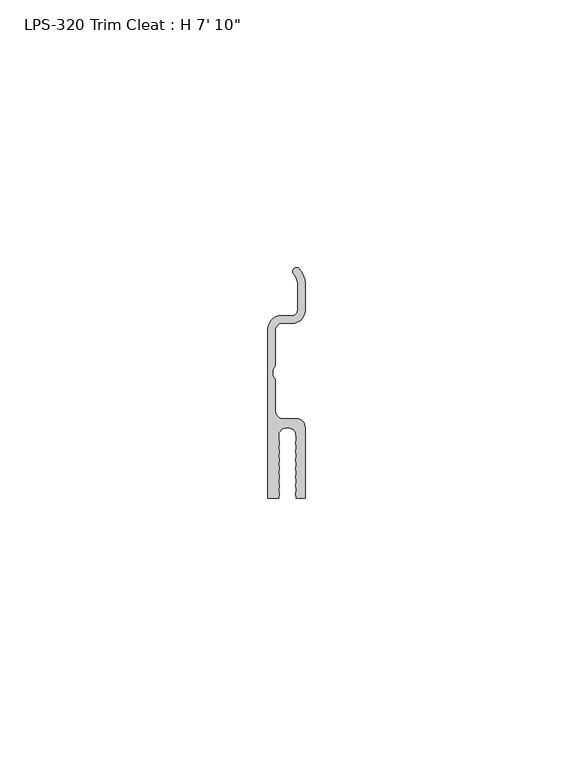
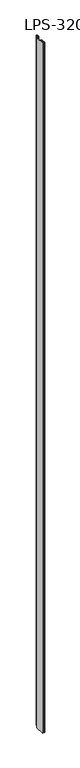
"""IFC4 building model written with IfcOpenShell, lengths in millimetres: proxy geometry."""

import ifcopenshell
import ifcopenshell.guid

model = None  # the IFC model being written
_history = None  # IfcOwnerHistory: only IFC2X3 demands one
_inside = {}  # id of a spatial element -> (the spatial element, [elements in it])
_under = {}  # id of a project, library or spatial element -> (it, [spatial elements below it])
_declared = {}  # id of a project -> (the project, [libraries it declares])
_typed = {}  # id of a type object -> (the type object, [elements of that type])
_made_of = {}  # id of a material, layer set ... -> (it, [elements and type objects made of it])


def new_model(schema):
    """Start an empty IFC model of exactly this schema.

    Asked for "IFC4X3", IfcOpenShell would pick the latest addendum, in which some entities
    have other attributes; the version numbers below select the first issue.
    IFC2X3 requires an IfcOwnerHistory on every rooted entity: one is made here for all.
    """
    global model, _history
    if schema == "IFC4X3":
        model = ifcopenshell.file(schema_version=(4, 3, 0, 0))
    else:
        model = ifcopenshell.file(schema=schema)
    _inside.clear()
    _under.clear()
    _declared.clear()
    _typed.clear()
    _made_of.clear()
    _history = None
    if model.schema == "IFC2X3":
        org = make("IfcOrganization", Name="unknown")
        user = make(
            "IfcPersonAndOrganization",
            ThePerson=make("IfcPerson", FamilyName="unknown"),
            TheOrganization=org,
        )
        app = make(
            "IfcApplication",
            ApplicationDeveloper=org,
            Version="unknown",
            ApplicationFullName="unknown",
            ApplicationIdentifier="unknown",
        )
        _history = make(
            "IfcOwnerHistory",
            OwningUser=user,
            OwningApplication=app,
            ChangeAction="ADDED",
            CreationDate=0,
        )
    return model


def make(cls, **values):
    """One entity of the class cls with the attributes given. An attribute that is None is left unset."""
    return model.create_entity(
        cls, **{name: value for name, value in values.items() if value is not None}
    )


def rooted(cls, **values):
    """An entity with a GlobalId (a new one), such as an element, a storey or a relation."""
    return make(cls, GlobalId=ifcopenshell.guid.new(), OwnerHistory=_history, **values)


def si_unit(unit_type, name, prefix=None):
    """IfcSIUnit, for example si_unit("LENGTHUNIT", "METRE", prefix="MILLI")."""
    return make("IfcSIUnit", UnitType=unit_type, Prefix=prefix, Name=name)


def assignment(units):
    """IfcUnitAssignment: the units of a project."""
    return None if units is None else make("IfcUnitAssignment", Units=units)


def point(xyz):
    """IfcCartesianPoint."""
    return None if xyz is None else make("IfcCartesianPoint", Coordinates=xyz)


def direction(xyz):
    """IfcDirection."""
    return None if xyz is None else make("IfcDirection", DirectionRatios=xyz)


def frame(location, z_axis=None, x_axis=None):
    """IfcAxis2Placement3D, a coordinate frame: its origin and axes. An axis left out is left unset."""
    return make(
        "IfcAxis2Placement3D",
        Location=point(location),
        Axis=direction(z_axis),
        RefDirection=direction(x_axis),
    )


def frame_2d(location, x_axis=None):
    """IfcAxis2Placement2D, a coordinate frame in the plane: its origin and x axis."""
    return make(
        "IfcAxis2Placement2D", Location=point(location), RefDirection=direction(x_axis)
    )


def origin():
    """The frame at (0, 0, 0) with its axes left unset."""
    return frame((0.0, 0.0, 0.0))


def origin_with_axes():
    """The frame at (0, 0, 0) with the z axis (0, 0, 1) and the x axis (1, 0, 0) written out."""
    return frame((0.0, 0.0, 0.0), z_axis=(0.0, 0.0, 1.0), x_axis=(1.0, 0.0, 0.0))


def place(relative_to, where):
    """IfcLocalPlacement: puts the frame where relative to a parent placement (None: the world)."""
    return make(
        "IfcLocalPlacement", PlacementRelTo=relative_to, RelativePlacement=where
    )


def context(
    kind, dimensions, precision=None, world=None, true_north=None, identifier=None
):
    """IfcGeometricRepresentationContext, for example the 3D "Model" context."""
    return make(
        "IfcGeometricRepresentationContext",
        ContextIdentifier=identifier,
        ContextType=kind,
        CoordinateSpaceDimension=dimensions,
        Precision=precision,
        WorldCoordinateSystem=world,
        TrueNorth=true_north,
    )


def project(units=None, contexts=None):
    """IfcProject with its units and contexts."""
    return rooted(
        "IfcProject",
        Name="project",
        RepresentationContexts=contexts,
        UnitsInContext=assignment(units),
    )


def spatial(cls, under=None, at=None, **own):
    """A site, building, storey or space (cls), placed at a placement, below another one or the project."""
    s = rooted(cls, ObjectPlacement=at, **own)
    if under is not None:
        _under.setdefault(under.id(), (under, []))[1].append(s)
    return s


def polyline(points):
    """IfcPolyline through the points."""
    return make("IfcPolyline", Points=[point(p) for p in points])


def circle_curve(where, radius):
    """IfcCircle in the frame where."""
    return make("IfcCircle", Position=where, Radius=radius)


def trimmed(basis, trim1, trim2, sense, master):
    """IfcTrimmedCurve: the piece of a basis curve between two trims."""
    return make(
        "IfcTrimmedCurve",
        BasisCurve=basis,
        Trim1=trim1,
        Trim2=trim2,
        SenseAgreement=sense,
        MasterRepresentation=master,
    )


def segment(curve, same_sense, transition):
    """IfcCompositeCurveSegment."""
    return make(
        "IfcCompositeCurveSegment",
        Transition=transition,
        SameSense=same_sense,
        ParentCurve=curve,
    )


def composite_curve(segments, self_intersect=None):
    """IfcCompositeCurve: segments joined end to end."""
    return make("IfcCompositeCurve", Segments=segments, SelfIntersect=self_intersect)


def outline(outer, holes=None, kind="AREA"):
    """IfcArbitraryClosedProfileDef: a profile drawn as a closed curve; with holes, ...WithVoids."""
    if holes is None:
        return make("IfcArbitraryClosedProfileDef", ProfileType=kind, OuterCurve=outer)
    return make(
        "IfcArbitraryProfileDefWithVoids",
        ProfileType=kind,
        OuterCurve=outer,
        InnerCurves=holes,
    )


def extrude(swept, where, along, depth):
    """IfcExtrudedAreaSolid: the profile swept, set in the frame where, extruded along a direction by depth."""
    return make(
        "IfcExtrudedAreaSolid",
        SweptArea=swept,
        Position=where,
        ExtrudedDirection=direction(along),
        Depth=depth,
    )


def shape(context_of_items, identifier, shape_type, items):
    """IfcShapeRepresentation: the items that make up one representation, for example the "Body"."""
    return make(
        "IfcShapeRepresentation",
        ContextOfItems=context_of_items,
        RepresentationIdentifier=identifier,
        RepresentationType=shape_type,
        Items=items,
    )


def source(mapping_origin, context_of_items, identifier, shape_type, items):
    """IfcRepresentationMap: a shape defined once, which mapped items show again and again."""
    return make(
        "IfcRepresentationMap",
        MappingOrigin=mapping_origin,
        MappedRepresentation=shape(context_of_items, identifier, shape_type, items),
    )


def transform(
    local_origin,
    x_axis=None,
    y_axis=None,
    z_axis=None,
    scale=None,
    scale2=None,
    scale3=None,
    uniform=True,
):
    """IfcCartesianTransformationOperator3D, or its non-uniform kind. x_axis, y_axis, z_axis: its Axis1, 2, 3."""
    if uniform:
        return make(
            "IfcCartesianTransformationOperator3D",
            Axis1=direction(x_axis),
            Axis2=direction(y_axis),
            LocalOrigin=point(local_origin),
            Scale=scale,
            Axis3=direction(z_axis),
        )
    return make(
        "IfcCartesianTransformationOperator3DnonUniform",
        Axis1=direction(x_axis),
        Axis2=direction(y_axis),
        LocalOrigin=point(local_origin),
        Scale=scale,
        Axis3=direction(z_axis),
        Scale2=scale2,
        Scale3=scale3,
    )


def mapped(mapping_source, mapping_target):
    """IfcMappedItem: shows the shape of a source again, moved by a transform."""
    return make(
        "IfcMappedItem", MappingSource=mapping_source, MappingTarget=mapping_target
    )


def made_of(thing, what):
    """Note that an element or type object is made of a material, layer set ...; save() writes the relation."""
    if what is not None:
        _made_of.setdefault(what.id(), (what, []))[1].append(thing)
    return thing


def element(
    cls,
    number,
    at=None,
    inside=None,
    cuts=None,
    type_object=None,
    material=None,
    context=None,
    identifier="Body",
    shape_type=None,
    held_by="IfcProductDefinitionShape",
    body=None,
    shapes=None,
    **own,
):
    """One element of the class cls, such as IfcWall. Its Tag is "e" and its number.

    at: its placement. inside: the storey or other place that contains it. cuts: it is an
    opening in that element (IfcRelVoidsElement). A single representation is given by context,
    identifier, shape_type and body (its items); several are given by shapes. held_by: the class
    of the entity that holds the representations. save() writes the other relations.
    """
    e = rooted(cls, Tag="e%d" % number, ObjectPlacement=at, **own)
    if body is not None:
        shapes = [shape(context, identifier, shape_type, body)]
    if shapes is not None:
        e.Representation = make(held_by, Representations=shapes)
    if inside is not None:
        _inside.setdefault(inside.id(), (inside, []))[1].append(e)
    if cuts is not None:
        rooted(
            "IfcRelVoidsElement", RelatingBuildingElement=cuts, RelatedOpeningElement=e
        )
    if type_object is not None:
        _typed.setdefault(type_object.id(), (type_object, []))[1].append(e)
    return made_of(e, material)


def aggregate(whole, parts):
    """IfcRelAggregates: a whole, such as a stair, and the parts it consists of."""
    return rooted("IfcRelAggregates", RelatingObject=whole, RelatedObjects=parts)


def save(model, path):
    """Write the relations noted so far, then the file.

    IfcRelAggregates (storeys below a building ...), IfcRelContainedInSpatialStructure (elements
    in a storey), IfcRelDefinesByType, IfcRelAssociatesMaterial and IfcRelDeclares: one each for
    every whole, place, type object, material and project.
    """
    for whole, parts in _under.values():
        aggregate(whole, parts)
    for where, things in _inside.values():
        rooted(
            "IfcRelContainedInSpatialStructure",
            RelatedElements=things,
            RelatingStructure=where,
        )
    for kind, things in _typed.values():
        rooted("IfcRelDefinesByType", RelatedObjects=things, RelatingType=kind)
    for what, things in _made_of.values():
        rooted("IfcRelAssociatesMaterial", RelatedObjects=things, RelatingMaterial=what)
    for by, libraries in _declared.values():
        rooted("IfcRelDeclares", RelatingContext=by, RelatedDefinitions=libraries)
    model.write(path)


def proxy_59750076(model_context):
    return source(origin(), model_context, "Body", "SweptSolid", [
        extrude(outline(composite_curve([segment(trimmed(circle_curve(frame_2d((-0.5264529, -5.112905)), 1.5875), [point((-2.1139529, -5.112905))], [point((-0.5264529, -6.700405))], True, "CARTESIAN"), True, "CONTINUOUS"), segment(polyline([(-0.5264529, -6.700405), (1.9234529, -6.700405)]), True, "CONTINUOUS"), segment(trimmed(circle_curve(frame_2d((1.9234529, -8.287905)), 1.5875), [point((1.9234529, -6.700405))], [point((3.5109529, -8.287905))], False, "CARTESIAN"), True, "CONTINUOUS"), segment(polyline([(3.5109529, -8.287905), (3.5109529, -21.5613778), (1.8781256, -21.5613778), (1.7329529, -20.7690222), (1.8781256, -19.9766667), (1.7329529, -19.1843112), (1.8781256, -18.3919557), (1.7329529, -17.5996002), (1.8781256, -16.8072447), (1.7329529, -16.0148891), (1.8781256, -15.2225336), (1.7329529, -14.4301781), (1.8781256, -13.6378226), (1.7329529, -12.8454671), (1.8781256, -12.0531116), (1.7329529, -11.260756), (1.8781256, -10.4684005), (1.7947896, -9.3385388)]), True, "CONTINUOUS"), segment(trimmed(circle_curve(frame_2d((0.2051903, -10.224684)), 1.8199119), [point((1.7947896, -9.3385388))], [point((-1.3787348, -9.3284358))], True, "CARTESIAN"), True, "CONTINUOUS"), segment(polyline([(-1.3787348, -9.3284358), (-1.4602197, -10.4684005), (-1.315047, -11.260756), (-1.4602197, -12.0531116), (-1.315047, -12.8454671), (-1.4602197, -13.6378226), (-1.315047, -14.4301781), (-1.4602197, -15.2225336), (-1.315047, -16.0148891), (-1.4602197, -16.8072447), (-1.315047, -17.5996002), (-1.4602197, -18.3919557), (-1.315047, -19.1843112), (-1.4602197, -19.9766667), (-1.315047, -20.7690222), (-1.4602197, -21.5613778), (-3.5109529, -21.5613778), (-3.5109529, 9.7115431)]), True, "CONTINUOUS"), segment(trimmed(circle_curve(frame_2d((-0.5264529, 9.7115431)), 2.9845), [point((-3.5109529, 9.7115431))], [point((-1.9760611, 12.3203506))], False, "CARTESIAN"), True, "CONTINUOUS"), segment(trimmed(circle_curve(frame_2d((-1.2210311, 10.9615505)), 1.55448), [point((-1.9760611, 12.3203506))], [point((-1.2210311, 12.5160305))], False, "CARTESIAN"), True, "CONTINUOUS"), segment(polyline([(-1.2210311, 12.5160305), (1.0659086, 12.5160305)]), True, "CONTINUOUS"), segment(trimmed(circle_curve(frame_2d((1.041874, 13.5898795)), 1.0741179), [point((1.0659086, 12.5160305))], [point((2.1139529, 13.523728))], True, "CARTESIAN"), True, "CONTINUOUS"), segment(polyline([(2.1139529, 13.523728), (2.1139529, 18.5410704)]), True, "CONTINUOUS"), segment(trimmed(circle_curve(frame_2d((-0.5911471, 18.5410704)), 2.7051), [point((2.1139529, 18.5410704))], [point((1.2367952, 20.5351098))], True, "CARTESIAN"), True, "CONTINUOUS"), segment(trimmed(circle_curve(frame_2d((1.9778743, 20.7675473)), 0.7766759), [point((1.2367952, 20.5351098))], [point((2.25856, 21.4917303))], False, "CARTESIAN"), True, "CONTINUOUS"), segment(trimmed(circle_curve(frame_2d((-0.5911471, 18.5410704)), 4.1021), [point((2.25856, 21.4917303))], [point((3.5109529, 18.5410704))], False, "CARTESIAN"), True, "CONTINUOUS"), segment(polyline([(3.5109529, 18.5410704), (3.5109529, 13.4895157)]), True, "CONTINUOUS"), segment(trimmed(circle_curve(frame_2d((1.041874, 13.5898795)), 2.4711179), [point((3.5109529, 13.4895157))], [point((1.0783304, 11.1190305))], False, "CARTESIAN"), True, "CONTINUOUS"), segment(polyline([(1.0783304, 11.1190305), (-1.0293528, 11.1190305)]), True, "CONTINUOUS"), segment(trimmed(circle_curve(frame_2d((-0.6584036, 9.7115431)), 1.4555494), [point((-1.0293528, 11.1190305))], [point((-2.1139529, 9.7115431))], True, "CARTESIAN"), True, "CONTINUOUS"), segment(polyline([(-2.1139529, 9.7115431), (-2.1139529, 3.171127), (-2.5000324, 2.445017), (-2.5000324, 1.357237), (-2.1139529, 0.631127), (-2.1139529, -5.112905)]), True, "CONTINUOUS")], self_intersect=False)), origin_with_axes(), (0.0, 0.0, 1.0), 2387.6),
    ])


if __name__ == "__main__":
    model = new_model("IFC4")
    model_context = context("Model", 3, world=origin())
    ifc_project = project(units=[si_unit("LENGTHUNIT", "METRE", prefix="MILLI")], contexts=[model_context])
    site = spatial("IfcSite", under=ifc_project)
    building = spatial("IfcBuilding", under=site)
    placement = place(None, origin())
    proxy_shape = proxy_59750076(model_context)
    element("IfcBuildingElementProxy", 1, Name="LPS-320 Trim Cleat : H 7' 10\"", ObjectType="LPS-320 Trim Cleat : H 7' 10\"", at=placement, inside=building, context=model_context, shape_type="MappedRepresentation", body=[
        mapped(proxy_shape, transform((0.0, 0.0, 0.0), x_axis=(1.0, 0.0, 0.0), y_axis=(0.0, 1.0, 0.0), z_axis=(0.0, 0.0, 1.0))),
    ])
    save(model, "model.ifc")
